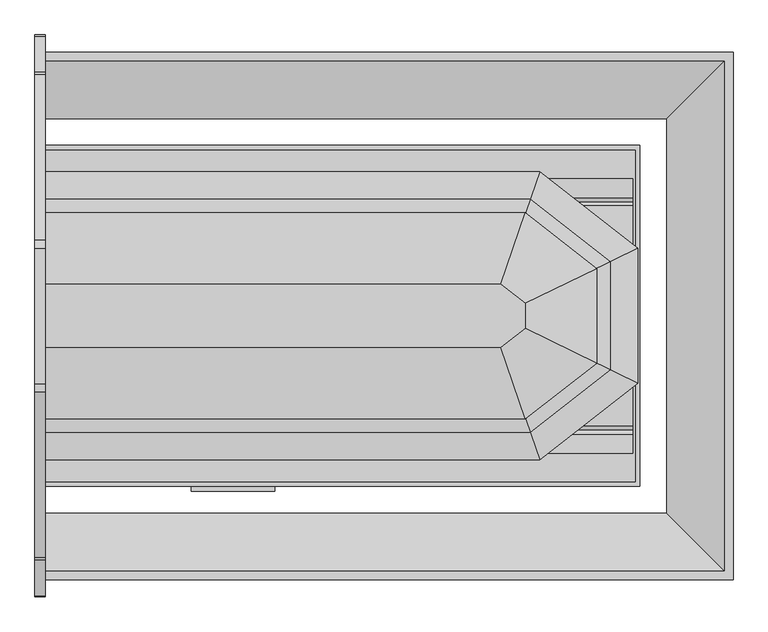
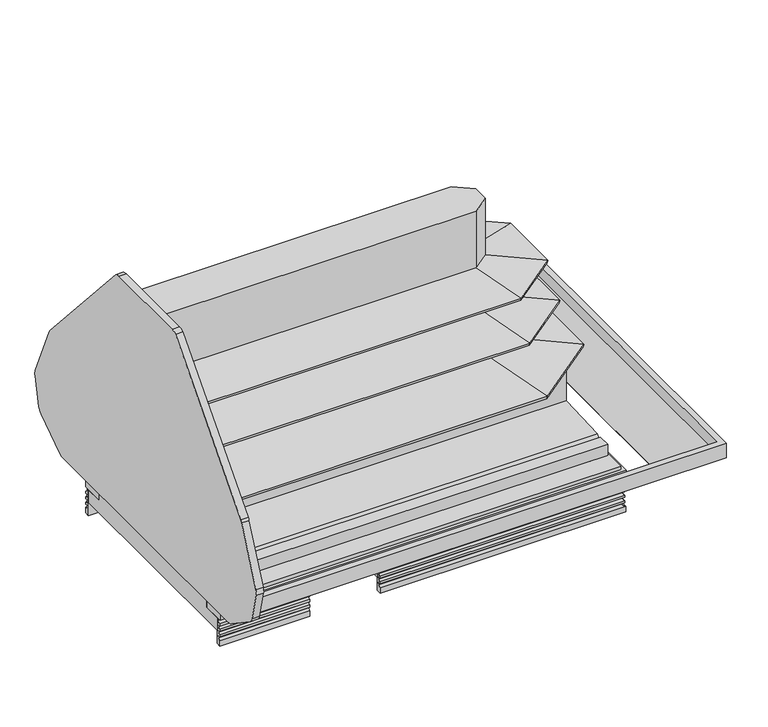
"""IFC4 building model written with IfcOpenShell, lengths in millimetres: proxy geometry."""

from ifc_helpers import new_model, si_unit, point, frame, frame_2d, origin, place, context, project, spatial, polyline, circle_curve, ellipse_curve, trimmed, segment, composite_curve, outline, extrude, faceted_brep, source, transform, mapped, element, save
from ifc_brep_helpers import plane_surface, revolved_surface, advanced_brep


def mechanical_equipment_c8d3985e(model_context):
    return source(origin(), model_context, "Body", "SolidModel", [
        extrude(outline(polyline([(531.4764211, -1899.6585484), (836.2764211, -1899.6585484), (836.2764211, -2001.2585484), (531.4764211, -2001.2585484), (531.4764211, -1899.6585484)])), frame((0.0, 0.0, 139.7), z_axis=(0.0, 0.0, 1.0), x_axis=(1.0, 0.0, 0.0)), (0.0, 0.0, 1.0), 53.975),
        extrude(outline(composite_curve([segment(polyline([(-1085.5128753, 1566.4562797), (-480.526685, 885.637089)]), True, "CONTINUOUS"), segment(trimmed(circle_curve(frame_2d((-518.5002411, 851.8932149)), 50.8), [point((-480.526685, 885.637089))], [point((-471.9860956, 872.3156111))], False, "CARTESIAN"), True, "CONTINUOUS"), segment(polyline([(-471.9860956, 872.3156111), (-341.5370545, 575.204262)]), True, "CONTINUOUS"), segment(trimmed(circle_curve(frame_2d((-387.5961448, 554.9816613)), 50.3030156), [point((-341.5370545, 575.204262))], [point((-338.5835735, 543.6608296))], False, "CARTESIAN"), True, "CONTINUOUS"), segment(polyline([(-338.5835735, 543.6608296), (-374.9847097, 391.220334)]), True, "CONTINUOUS"), segment(trimmed(circle_curve(frame_2d((-424.3955292, 403.0191015)), 50.8), [point((-374.9847097, 391.220334))], [point((-395.2578462, 361.4061777))], False, "CARTESIAN"), True, "CONTINUOUS"), segment(polyline([(-395.2578462, 361.4061777), (-569.0199124, 245.040927)]), True, "CONTINUOUS"), segment(trimmed(circle_curve(frame_2d((-598.1575954, 286.6538508)), 50.8), [point((-569.0199124, 245.040927))], [point((-598.1575954, 235.8538508))], False, "CARTESIAN"), True, "CONTINUOUS"), segment(polyline([(-598.1575954, 235.8538508), (-2125.3844839, 235.8538508)]), True, "CONTINUOUS"), segment(trimmed(circle_curve(frame_2d((-2125.3844839, 286.6538508)), 50.8), [point((-2125.3844839, 235.8538508))], [point((-2154.5221669, 245.040927))], False, "CARTESIAN"), True, "CONTINUOUS"), segment(polyline([(-2154.5221669, 245.040927), (-2328.2842331, 361.4061777)]), True, "CONTINUOUS"), segment(trimmed(circle_curve(frame_2d((-2299.1465501, 403.0191015)), 50.8), [point((-2328.2842331, 361.4061777))], [point((-2348.5573696, 391.220334))], False, "CARTESIAN"), True, "CONTINUOUS"), segment(polyline([(-2348.5573696, 391.220334), (-2384.9585058, 543.6608296)]), True, "CONTINUOUS"), segment(trimmed(circle_curve(frame_2d((-2335.9459345, 554.9816613)), 50.3030156), [point((-2384.9585058, 543.6608296))], [point((-2382.0050248, 575.204262))], False, "CARTESIAN"), True, "CONTINUOUS"), segment(polyline([(-2382.0050248, 575.204262), (-2251.5559837, 872.3156111)]), True, "CONTINUOUS"), segment(trimmed(circle_curve(frame_2d((-2205.0418381, 851.8932149)), 50.8), [point((-2251.5559837, 872.3156111))], [point((-2243.0153942, 885.637089))], False, "CARTESIAN"), True, "CONTINUOUS"), segment(polyline([(-2243.0153942, 885.637089), (-1638.029204, 1566.4562797)]), True, "CONTINUOUS"), segment(trimmed(circle_curve(frame_2d((-1608.8053155, 1524.9038508)), 50.8), [point((-1638.029204, 1566.4562797))], [point((-1608.8053155, 1575.7038508))], False, "CARTESIAN"), True, "CONTINUOUS"), segment(polyline([(-1608.8053155, 1575.7038508), (-1114.7367637, 1575.7038508)]), True, "CONTINUOUS"), segment(trimmed(circle_curve(frame_2d((-1114.7367637, 1524.9038508)), 50.8), [point((-1114.7367637, 1575.7038508))], [point((-1085.5128753, 1566.4562797))], False, "CARTESIAN"), True, "CONTINUOUS")], self_intersect=False)), frame((-38.1, 0.0, 0.0), z_axis=(1.0, 0.0, 0.0), x_axis=(0.0, 1.0, 0.0)), (0.0, 0.0, 1.0), 38.1),
        extrude(outline(polyline([(1661.2869938, -1246.7701211), (1750.1869938, -1316.2264133), (1750.1869938, -1407.4378289), (1661.2869938, -1476.8941211), (0.0, -1476.8941211), (0.0, -1246.7701211), (1661.2869938, -1246.7701211)])), frame((0.0, 0.0, 529.6852408), z_axis=(0.0, 0.0, 1.0), x_axis=(1.0, 0.0, 0.0)), (0.0, 0.0, 1.0), 1037.1772592),
        faceted_brep([(0.0, -1645.8233285, 971.7119545), (0.0, -1648.0286603, 984.219013), (0.0, -1784.8246123, 960.0981958), (0.0, -1787.1677774, 973.3869454), (0.0, -1476.8941211, 1028.0965624), (0.0, -1476.8941211, 969.4224998), (1720.2133413, -1075.6355819, 984.219013), (1719.4539846, -1077.8409138, 971.7119545), (0.0, -1077.8409138, 971.7119545), (0.0, -1075.6355819, 984.219013), (1767.3159649, -938.83963, 960.0981958), (0.0, -938.83963, 960.0981958), (1768.1227813, -936.4964649, 973.3869454), (0.0, -936.4964649, 973.3869454), (1661.2869938, -1246.7701211, 1028.0965624), (0.0, -1246.7701211, 1028.0965624), (1661.2869938, -1246.7701211, 969.4224998), (0.0, -1246.7701211, 969.4224998), (1719.4539846, -1645.8233285, 971.7119545), (1720.2133413, -1648.0286603, 984.219013), (1767.3159649, -1784.8246123, 960.0981958), (1768.1227813, -1787.1677774, 973.3869454), (1661.2869938, -1476.8941211, 1028.0965624), (1661.2869938, -1476.8941211, 969.4224998), (1919.1162012, -1489.8301085, 971.7119545), (1921.321533, -1490.9057207, 984.219013), (2058.117485, -1557.6255645, 960.0981958), (2060.4606501, -1558.7684025, 973.3869454), (1750.1869938, -1407.4378289, 1028.0965624), (1750.1869938, -1407.4378289, 969.4224998), (1919.1162012, -1233.8341337, 971.7119545), (1921.321533, -1232.7585215, 984.219013), (2058.117485, -1166.0386778, 960.0981958), (2060.4606501, -1164.8958398, 973.3869454), (1750.1869938, -1316.2264133, 1028.0965624), (1750.1869938, -1316.2264133, 969.4224998)], [[[0, 1, 2, 3, 4, 5]], [[6, 7, 8, 9]], [[10, 6, 9, 11]], [[12, 10, 11, 13]], [[14, 12, 13, 15]], [[16, 14, 15, 17]], [[7, 16, 17, 8]], [[8, 17, 15, 13, 11, 9]], [[1, 0, 18, 19]], [[2, 1, 19, 20]], [[3, 2, 20, 21]], [[4, 3, 21, 22]], [[5, 4, 22, 23]], [[0, 5, 23, 18]], [[19, 18, 24, 25]], [[20, 19, 25, 26]], [[21, 20, 26, 27]], [[22, 21, 27, 28]], [[23, 22, 28, 29]], [[18, 23, 29, 24]], [[25, 24, 30, 31]], [[26, 25, 31, 32]], [[27, 26, 32, 33]], [[28, 27, 33, 34]], [[29, 28, 34, 35]], [[24, 29, 35, 30]], [[31, 30, 7, 6]], [[32, 31, 6, 10]], [[33, 32, 10, 12]], [[34, 33, 12, 14]], [[35, 34, 14, 16]], [[30, 35, 16, 7]]]),
        faceted_brep([(0.0, -1476.8941211, 734.6361537), (0.0, -1748.5765466, 725.7131569), (0.0, -1749.6792126, 731.9666861), (0.0, -1884.9117822, 708.1215354), (0.0, -1887.2549473, 721.410285), (0.0, -1476.8941211, 793.7679705), (1754.834755, -975.0876956, 725.7131569), (1661.2869938, -1246.7701211, 734.6361537), (0.0, -1246.7701211, 734.6361537), (0.0, -975.0876956, 725.7131569), (1755.2144333, -973.9850297, 731.9666861), (0.0, -973.9850297, 731.9666861), (1801.7787412, -838.7524601, 708.1215354), (0.0, -838.7524601, 708.1215354), (1802.5855577, -836.409295, 721.410285), (0.0, -836.409295, 721.410285), (1661.2869938, -1246.7701211, 793.7679705), (0.0, -1246.7701211, 793.7679705), (1661.2869938, -1476.8941211, 734.6361537), (1754.834755, -1748.5765466, 725.7131569), (1755.2144333, -1749.6792126, 731.9666861), (1801.7787412, -1884.9117822, 708.1215354), (1802.5855577, -1887.2549473, 721.410285), (1661.2869938, -1476.8941211, 793.7679705), (1750.1869938, -1407.4378289, 734.6361537), (2021.8694193, -1539.9462016, 725.7131569), (2022.9720853, -1540.4840077, 731.9666861), (2158.2046549, -1606.4413389, 708.1215354), (2160.54782, -1607.5841769, 721.410285), (1750.1869938, -1407.4378289, 793.7679705), (1750.1869938, -1316.2264133, 734.6361537), (2021.8694193, -1183.7180407, 725.7131569), (2022.9720853, -1183.1802346, 731.9666861), (2158.2046549, -1117.2229033, 708.1215354), (2160.54782, -1116.0800653, 721.410285), (1750.1869938, -1316.2264133, 793.7679705)], [[[0, 1, 2, 3, 4, 5]], [[6, 7, 8, 9]], [[10, 6, 9, 11]], [[12, 10, 11, 13]], [[14, 12, 13, 15]], [[16, 14, 15, 17]], [[7, 16, 17, 8]], [[8, 17, 15, 13, 11, 9]], [[1, 0, 18, 19]], [[2, 1, 19, 20]], [[3, 2, 20, 21]], [[4, 3, 21, 22]], [[5, 4, 22, 23]], [[0, 5, 23, 18]], [[19, 18, 24, 25]], [[20, 19, 25, 26]], [[21, 20, 26, 27]], [[22, 21, 27, 28]], [[23, 22, 28, 29]], [[18, 23, 29, 24]], [[25, 24, 30, 31]], [[26, 25, 31, 32]], [[27, 26, 32, 33]], [[28, 27, 33, 34]], [[29, 28, 34, 35]], [[24, 29, 35, 30]], [[31, 30, 7, 6]], [[32, 31, 6, 10]], [[33, 32, 10, 12]], [[34, 33, 12, 14]], [[35, 34, 14, 16]], [[30, 35, 16, 7]]]),
        faceted_brep([(0.0, -1645.8233285, 1192.8622556), (0.0, -1648.0286603, 1205.3693141), (0.0, -1734.7963784, 1190.0698243), (0.0, -1737.1395435, 1203.3585739), (0.0, -1476.8941211, 1249.2468635), (0.0, -1476.8941211, 1190.5728009), (0.0, -1077.8409138, 1192.8622556), (0.0, -1246.7701211, 1190.5728009), (0.0, -1246.7701211, 1249.2468635), (0.0, -986.5246988, 1203.3585739), (0.0, -988.8678638, 1190.0698243), (0.0, -1075.6355819, 1205.3693141), (1720.2133413, -1648.0286603, 1205.3693141), (1719.4539846, -1645.8233285, 1192.8622556), (1919.1162012, -1489.8301085, 1192.8622556), (1921.321533, -1490.9057207, 1205.3693141), (1750.0898625, -1734.7963784, 1190.0698243), (2008.0892511, -1533.2251645, 1190.0698243), (1750.896679, -1737.1395435, 1203.3585739), (2010.4324162, -1534.3680025, 1203.3585739), (1661.2869938, -1476.8941211, 1249.2468635), (1750.1869938, -1407.4378289, 1249.2468635), (1661.2869938, -1476.8941211, 1190.5728009), (1750.1869938, -1407.4378289, 1190.5728009), (1919.1162012, -1233.8341337, 1192.8622556), (1921.321533, -1232.7585215, 1205.3693141), (2008.0892511, -1190.4390778, 1190.0698243), (2010.4324162, -1189.2962398, 1203.3585739), (1750.1869938, -1316.2264133, 1249.2468635), (1750.1869938, -1316.2264133, 1190.5728009), (1719.4539846, -1077.8409138, 1192.8622556), (1720.2133413, -1075.6355819, 1205.3693141), (1750.0898625, -988.8678638, 1190.0698243), (1750.896679, -986.5246988, 1203.3585739), (1661.2869938, -1246.7701211, 1249.2468635), (1661.2869938, -1246.7701211, 1190.5728009)], [[[0, 1, 2, 3, 4, 5]], [[6, 7, 8, 9, 10, 11]], [[12, 13, 14, 15]], [[16, 12, 15, 17]], [[18, 16, 17, 19]], [[20, 18, 19, 21]], [[22, 20, 21, 23]], [[13, 22, 23, 14]], [[15, 14, 24, 25]], [[17, 15, 25, 26]], [[19, 17, 26, 27]], [[21, 19, 27, 28]], [[23, 21, 28, 29]], [[14, 23, 29, 24]], [[25, 24, 30, 31]], [[26, 25, 31, 32]], [[27, 26, 32, 33]], [[28, 27, 33, 34]], [[29, 28, 34, 35]], [[24, 29, 35, 30]], [[31, 30, 6, 11]], [[32, 31, 11, 10]], [[33, 32, 10, 9]], [[34, 33, 9, 8]], [[35, 34, 8, 7]], [[30, 35, 7, 6]], [[1, 0, 13, 12]], [[2, 1, 12, 16]], [[3, 2, 16, 18]], [[4, 3, 18, 20]], [[5, 4, 20, 22]], [[0, 5, 22, 13]]]),
        faceted_brep([(0.0, -400.0738396, 393.2587782), (0.0, -624.4162298, 236.1725455), (0.0, -642.1057162, 261.4357503), (0.0, -431.0303317, 409.2323256), (0.0, -431.0303317, 475.7067395), (0.0, -400.0738396, 475.7067395), (0.0, -2323.590415, 393.2587782), (0.0, -2323.590415, 475.7067395), (0.0, -2292.6339229, 475.7067395), (0.0, -2292.6339229, 409.2323256), (0.0, -2081.5585384, 261.4357503), (0.0, -2099.2480248, 236.1725455), (2477.0267956, -431.0303317, 409.2323256), (2477.0267956, -431.0303317, 475.7067395), (2477.0267956, -2292.6339229, 475.7067395), (2507.9832877, -2323.590415, 475.7067395), (2507.9832877, -400.0738396, 475.7067395), (2507.9832877, -400.0738396, 393.2587782), (2477.0267956, -2292.6339229, 409.2323256), (2507.9832877, -2323.590415, 393.2587782), (2283.6408975, -624.4162298, 236.1725455), (2265.9514111, -642.1057162, 261.4357503), (2283.6408975, -2099.2480248, 236.1725455), (2265.9514111, -2081.5585384, 261.4357503)], [[[0, 1, 2, 3, 4, 5]], [[6, 7, 8, 9, 10, 11]], [[4, 3, 12, 13]], [[5, 4, 13, 14, 8, 7, 15, 16]], [[0, 5, 16, 17]], [[13, 12, 18, 14]], [[17, 16, 15, 19]], [[14, 18, 9, 8]], [[19, 15, 7, 6]], [[1, 0, 17, 20]], [[2, 1, 20, 21]], [[3, 2, 21, 12]], [[20, 17, 19, 22]], [[21, 20, 22, 23]], [[12, 21, 23, 18]], [[22, 19, 6, 11]], [[23, 22, 11, 10]], [[18, 23, 10, 9]]]),
        extrude(outline(composite_curve([segment(trimmed(circle_curve(frame_2d((1279.525, -1361.8321273)), 19.05), [point((1260.475, -1361.8321273))], [point((1298.575, -1361.8321273))], False, "CARTESIAN"), True, "CONTINUOUS"), segment(trimmed(circle_curve(frame_2d((1279.525, -1361.8321273)), 19.05), [point((1298.575, -1361.8321273))], [point((1260.475, -1361.8321273))], False, "CARTESIAN"), True, "CONTINUOUS")], self_intersect=False)), frame((0.0, 0.0, 43.7437524), z_axis=(0.0, 0.0, 1.0), x_axis=(1.0, 0.0, 0.0)), (0.0, 0.0, 1.0), 210.2562476),
        extrude(outline(composite_curve([segment(trimmed(circle_curve(frame_2d((105.4191453, -889.3908129)), 11.1125), [point((94.3066453, -889.3908129))], [point((116.5316453, -889.3908129))], False, "CARTESIAN"), True, "CONTINUOUS"), segment(trimmed(circle_curve(frame_2d((105.4191453, -889.3908129)), 11.1125), [point((116.5316453, -889.3908129))], [point((94.3066453, -889.3908129))], False, "CARTESIAN"), True, "CONTINUOUS")], self_intersect=False)), frame((0.0, 0.0, 43.7437524), z_axis=(0.0, 0.0, 1.0), x_axis=(1.0, 0.0, 0.0)), (0.0, 0.0, 1.0), 210.2562476),
        extrude(outline(composite_curve([segment(trimmed(circle_curve(frame_2d((105.8867913, -909.9672391)), 4.7625), [point((101.1242913, -909.9672391))], [point((110.6492913, -909.9672391))], False, "CARTESIAN"), True, "CONTINUOUS"), segment(trimmed(circle_curve(frame_2d((105.8867913, -909.9672391)), 4.7625), [point((110.6492913, -909.9672391))], [point((101.1242913, -909.9672391))], False, "CARTESIAN"), True, "CONTINUOUS")], self_intersect=False)), frame((0.0, 0.0, 43.7437524), z_axis=(0.0, 0.0, 1.0), x_axis=(1.0, 0.0, 0.0)), (0.0, 0.0, 1.0), 210.2562476),
        faceted_brep([(0.0, -1983.9416266, 146.05), (0.0, -1983.9416266, 233.7483804), (0.0, -1966.0346266, 233.7483804), (0.0, -1966.0346266, 254.0), (0.0, -1862.2307062, 254.0), (0.0, -1862.2307062, 146.05), (0.0, -739.722628, 146.05), (0.0, -861.4335484, 146.05), (0.0, -861.4335484, 254.0), (0.0, -757.629628, 254.0), (0.0, -757.629628, 233.7483804), (0.0, -739.722628, 233.7483804), (480.6764211, -1872.6710484, 206.9984495), (855.3264211, -1872.6710484, 206.9984495), (855.3264211, -1983.9416266, 206.9984495), (480.6764211, -1983.9416266, 206.9984495), (855.3264211, -1872.6710484, 146.05), (855.3264211, -1983.9416266, 146.05), (480.6764211, -1872.6710484, 146.05), (480.6764211, -1983.9416266, 146.05), (2168.3344993, -1983.9416266, 233.7483804), (2168.3344993, -1983.9416266, 146.05), (2168.3344993, -739.722628, 146.05), (2168.3344993, -739.722628, 233.7483804), (2150.4274993, -1966.0346266, 254.0), (2150.4274993, -1966.0346266, 233.7483804), (2150.4274993, -757.629628, 233.7483804), (2150.4274993, -757.629628, 254.0), (2046.6235789, -1862.2307062, 146.05), (2046.6235789, -1862.2307062, 254.0), (2046.6235789, -861.4335484, 254.0), (2046.6235789, -861.4335484, 146.05)], [[[0, 1, 2, 3, 4, 5]], [[6, 7, 8, 9, 10, 11]], [[12, 13, 14, 15]], [[14, 13, 16, 17]], [[13, 12, 18, 16]], [[12, 15, 19, 18]], [[20, 21, 22, 23]], [[24, 25, 26, 27]], [[28, 29, 30, 31]], [[6, 11, 23, 22]], [[10, 9, 27, 26]], [[8, 7, 31, 30]], [[1, 0, 19, 15, 14, 17, 21, 20]], [[2, 1, 20, 23, 11, 10, 26, 25]], [[3, 2, 25, 24]], [[4, 3, 24, 27, 9, 8, 30, 29]], [[5, 4, 29, 28]], [[0, 5, 28, 31, 7, 6, 22, 21, 17, 16, 18, 19]]]),
        advanced_brep(
        [(2141.3553221, -1476.8941211, 529.6852408), (2141.3553221, -1476.8941211, 330.5006237), (2141.3553221, -1762.7267176, 316.0191309), (2141.3553221, -1778.0110647, 301.5392231), (2141.3553221, -1793.2737198, 315.9985806), (2141.3553221, -1862.2498492, 318.4951693), (2141.3553221, -1862.2498492, 146.05), (2141.3553221, -1956.9624494, 146.05), (2141.3553221, -1956.9624494, 74.4934376), (2141.3553221, -766.7018052, 74.4934376), (2141.3553221, -766.7018052, 146.05), (2141.3553221, -861.4335484, 146.05), (2141.3553221, -861.4335484, 318.4944764), (2141.3553221, -930.3905348, 315.9985806), (2141.3553221, -945.6531899, 301.5392231), (2141.3553221, -960.937537, 316.0191309), (2141.3553221, -1246.7701335, 330.5006237), (2141.3553221, -1246.7701335, 529.6852408), (0.0, -1476.8941211, 529.6852408), (0.0, -1246.7701335, 529.6852408), (0.0, -1246.7701335, 330.5006237), (0.0, -960.937537, 316.0191309), (0.0, -945.6531899, 301.5392231), (0.0, -930.3905348, 315.9985806), (0.0, -861.4335484, 318.4944764), (0.0, -861.4335484, 146.05), (0.0, -766.7018052, 146.05), (0.0, -766.7018052, 74.4934376), (0.0, -1956.9624494, 74.4934376), (0.0, -1956.9624494, 146.05), (0.0, -1862.2498492, 146.05), (0.0, -1862.2498492, 318.4951693), (0.0, -1793.2737198, 315.9985806), (0.0, -1778.0110647, 301.5392231), (0.0, -1762.7267176, 316.0191309), (0.0, -1476.8941211, 330.5006237), (80.9625, -896.6946273, 254.0), (131.7625, -896.6946273, 254.0), (131.7625, -896.6946273, 74.4934376), (80.9625, -896.6946273, 74.4934376), (1247.775, -1361.3307706, 254.0), (1311.275, -1361.3307706, 254.0), (1311.275, -1361.3307706, 74.4934376), (1247.775, -1361.3307706, 74.4934376), (855.3264211, -1872.6710484, 146.05), (855.3264211, -1872.6710484, 74.4934376), (855.3264211, -1956.9624494, 74.4934376), (855.3264211, -1956.9624494, 146.05), (480.6764211, -1872.6710484, 146.05), (480.6764211, -1872.6710484, 74.4934376), (480.6764211, -1956.9624494, 146.05), (480.6764211, -1956.9624494, 74.4934376)],
        [
            (0, 1),
            (1, 2),
            (2, 3),
            (3, 4),
            (4, 5),
            (5, 6),
            (6, 7),
            (7, 8),
            (8, 9),
            (9, 10),
            (10, 11),
            (11, 12),
            (12, 13),
            (13, 14),
            (14, 15),
            (15, 16),
            (16, 17),
            (17, 0),
            (18, 19),
            (19, 20),
            (20, 21),
            (21, 22),
            (22, 23),
            (23, 24),
            (24, 25),
            (25, 26),
            (26, 27),
            (27, 28),
            (28, 29),
            (29, 30),
            (30, 31),
            (31, 32),
            (32, 33),
            (33, 34),
            (34, 35),
            (35, 18),
            (17, 19),
            (18, 0),
            (36, 37, circle_curve(frame((106.3625, -896.6946273, 254.0), z_axis=(0.0, 0.0, -1.0), x_axis=(1.0, 0.0, 0.0)), 25.4)),
            (37, 36, circle_curve(frame((106.3625, -896.6946273, 254.0), z_axis=(0.0, 0.0, -1.0), x_axis=(1.0, 0.0, 0.0)), 25.4)),
            (37, 38),
            (38, 39, circle_curve(frame((106.3625, -896.6946273, 74.4934376), z_axis=(0.0, 0.0, -1.0), x_axis=(1.0, 0.0, 0.0)), 25.4)),
            (39, 36),
            (39, 38, circle_curve(frame((106.3625, -896.6946273, 74.4934376), z_axis=(0.0, 0.0, -1.0), x_axis=(1.0, 0.0, 0.0)), 25.4)),
            (40, 41, circle_curve(frame((1279.525, -1361.3307706, 254.0), z_axis=(0.0, 0.0, -1.0), x_axis=(1.0, 0.0, 0.0)), 31.75)),
            (41, 40, circle_curve(frame((1279.525, -1361.3307706, 254.0), z_axis=(0.0, 0.0, -1.0), x_axis=(1.0, 0.0, 0.0)), 31.75)),
            (41, 42),
            (42, 43, circle_curve(frame((1279.525, -1361.3307706, 74.4934376), z_axis=(0.0, 0.0, -1.0), x_axis=(1.0, 0.0, 0.0)), 31.75)),
            (43, 40),
            (43, 42, circle_curve(frame((1279.525, -1361.3307706, 74.4934376), z_axis=(0.0, 0.0, -1.0), x_axis=(1.0, 0.0, 0.0)), 31.75)),
            (44, 45),
            (45, 46),
            (46, 47),
            (47, 44),
            (44, 48),
            (48, 49),
            (49, 45),
            (48, 50),
            (50, 51),
            (51, 49),
            (11, 25),
            (24, 12),
            (23, 13),
            (22, 14),
            (21, 15),
            (20, 16),
            (35, 1),
            (34, 2),
            (33, 3),
            (32, 4),
            (31, 5),
            (30, 6),
            (29, 50),
            (47, 7),
            (46, 8),
            (28, 51),
            (27, 9),
            (26, 10),
        ],
        [
            plane_surface(frame((2141.3553221, -1476.8941211, 561.4683528), z_axis=(1.0, 0.0, 0.0), x_axis=(0.0, 0.0, -1.0))),
            plane_surface(frame((0.0, -1476.8941211, 561.4683528), z_axis=(-1.0, 0.0, 0.0), x_axis=(0.0, 0.0, 1.0))),
            plane_surface(frame((2141.3553221, -1246.7701335, 529.6852408), z_axis=(0.0, 0.0, 1.0), x_axis=(-1.0, 0.0, 0.0))),
            plane_surface(frame((131.7625, -896.6946273, 254.0), z_axis=(0.0, 0.0, -1.0), x_axis=(0.0, 1.0, 0.0))),
            revolved_surface(polyline([(131.7625, -896.6946273, 254.0), (131.7625, -896.6946273, 74.4934376)]), (106.3625, -896.6946273, 0.0), (0.0, 0.0, 1.0)),
            plane_surface(frame((1311.275, -1361.3307706, 254.0), z_axis=(0.0, 0.0, -1.0), x_axis=(0.0, 1.0, 0.0))),
            revolved_surface(polyline([(1311.275, -1361.3307706, 254.0), (1311.275, -1361.3307706, 74.4934376)]), (1279.525, -1361.3307706, 0.0), (0.0, 0.0, 1.0)),
            plane_surface(frame((855.3264211, -2029.6176194, 206.9984495), z_axis=(-1.0, 0.0, 0.0), x_axis=(0.0, 0.0, -1.0))),
            plane_surface(frame((855.3264211, -1872.6710484, 206.9984495), z_axis=(0.0, -1.0, 0.0), x_axis=(0.0, 0.0, -1.0))),
            plane_surface(frame((480.6764211, -1872.6710484, 206.9984495), z_axis=(1.0, 0.0, 0.0), x_axis=(0.0, 0.0, -1.0))),
            plane_surface(frame((2141.3553221, -861.4335484, 146.05), z_axis=(0.0, 1.0, 0.0), x_axis=(-1.0, 0.0, 0.0))),
            plane_surface(frame((2141.3553221, -861.4335484, 318.4944764), z_axis=(0.0, -0.03617128099651393, 0.9993456050991926), x_axis=(-1.0, 0.0, 0.0))),
            plane_surface(frame((2141.3553221, -930.3905348, 315.9985806), z_axis=(0.0, -0.6877446479107889, 0.7259526839058211), x_axis=(-1.0, 0.0, 0.0))),
            plane_surface(frame((2141.3553221, -945.6531899, 301.5392231), z_axis=(0.0, 0.6877446479107768, 0.7259526839058327), x_axis=(-1.0, 0.0, 0.0))),
            plane_surface(frame((2141.3553221, -960.937537, 316.0191309), z_axis=(0.0, 0.05059934604184178, 0.998719032651395), x_axis=(-1.0, 0.0, 0.0))),
            plane_surface(frame((2141.3553221, -1246.7701335, 330.5006237), z_axis=(0.0, 1.0, 0.0), x_axis=(-1.0, 0.0, 0.0))),
            plane_surface(frame((2141.3553221, -1476.8941211, 529.6852408), z_axis=(0.0, -1.0, 0.0), x_axis=(-1.0, 0.0, 0.0))),
            plane_surface(frame((2141.3553221, -1476.8941211, 330.5006237), z_axis=(0.0, -0.05059934604185542, 0.9987190326513942), x_axis=(-1.0, 0.0, 0.0))),
            plane_surface(frame((2141.3553221, -1762.7267176, 316.0191309), z_axis=(0.0, -0.6877446479107836, 0.7259526839058262), x_axis=(-1.0, 0.0, 0.0))),
            plane_surface(frame((2141.3553221, -1778.0110647, 301.5392231), z_axis=(0.0, 0.6877446479107799, 0.7259526839058296), x_axis=(-1.0, 0.0, 0.0))),
            plane_surface(frame((2141.3553221, -1793.2737198, 315.9985806), z_axis=(0.0, 0.03617128099650122, 0.999345605099193), x_axis=(-1.0, 0.0, 0.0))),
            plane_surface(frame((2141.3553221, -1862.2498492, 318.4951693), z_axis=(0.0, -1.0, 0.0), x_axis=(-1.0, 0.0, 0.0))),
            plane_surface(frame((2141.3553221, -1862.2498492, 146.05), z_axis=(0.0, 0.0, 1.0), x_axis=(-1.0, 0.0, 0.0))),
            plane_surface(frame((2141.3553221, -1956.9624494, 146.05), z_axis=(0.0, -1.0, 0.0), x_axis=(-1.0, 0.0, 0.0))),
            plane_surface(frame((2141.3553221, -1956.9624494, 74.4934376), z_axis=(0.0, 0.0, -1.0), x_axis=(-1.0, 0.0, 0.0))),
            plane_surface(frame((2141.3553221, -766.7018052, 74.4934376), z_axis=(0.0, 1.0, 0.0), x_axis=(-1.0, 0.0, 0.0))),
            plane_surface(frame((2141.3553221, -766.7018052, 146.05), z_axis=(0.0, 0.0, 1.0), x_axis=(-1.0, 0.0, 0.0))),
        ],
        [
            (0, [[1, 2, 3, 4, 5, 6, 7, 8, 9, 10, 11, 12, 13, 14, 15, 16, 17, 18]]),
            (1, [[19, 20, 21, 22, 23, 24, 25, 26, 27, 28, 29, 30, 31, 32, 33, 34, 35, 36]]),
            (2, [[-18, 37, -19, 38]]),
            (3, [[39, 40]]),
            (4, [[-40, 41, 42, 43]]),
            (4, [[-39, -43, 44, -41]]),
            (5, [[45, 46]]),
            (6, [[-46, 47, 48, 49]]),
            (6, [[-45, -49, 50, -47]]),
            (7, [[51, 52, 53, 54]]),
            (8, [[-51, 55, 56, 57]]),
            (9, [[-56, 58, 59, 60]]),
            (10, [[-12, 61, -25, 62]]),
            (11, [[-13, -62, -24, 63]]),
            (12, [[-14, -63, -23, 64]]),
            (13, [[-15, -64, -22, 65]]),
            (14, [[-16, -65, -21, 66]]),
            (15, [[-17, -66, -20, -37]]),
            (16, [[-1, -38, -36, 67]]),
            (17, [[-2, -67, -35, 68]]),
            (18, [[-3, -68, -34, 69]]),
            (19, [[-4, -69, -33, 70]]),
            (20, [[-5, -70, -32, 71]]),
            (21, [[-6, -71, -31, 72]]),
            (22, [[-7, -72, -30, 73, -58, -55, -54, 74]]),
            (23, [[-8, -74, -53, 75]]),
            (23, [[-29, 76, -59, -73]]),
            (24, [[-9, -75, -52, -57, -60, -76, -28, 77], [-42, -44], [-48, -50]]),
            (25, [[-10, -77, -27, 78]]),
            (26, [[-11, -78, -26, -61]]),
        ],
    ),
        advanced_brep(
        [(0.0, -1970.5598032, 41.0863151), (0.0, -1967.0707061, 52.2515752), (0.0, -1977.7079014, 50.0937524), (0.0, -1979.7018014, 50.0937524), (0.0, -1979.7018014, 62.7937524), (0.0, -1970.5598032, 72.0584982), (0.0, -1967.0707061, 83.2237583), (0.0, -1977.7079014, 81.0659355), (0.0, -1979.7018014, 81.0659355), (0.0, -1979.7018014, 93.7659355), (0.0, -1970.5598032, 103.0306813), (0.0, -1967.0707061, 114.0694894), (0.0, -1977.7079014, 112.0383055), (0.0, -1979.7018014, 112.0383055), (0.0, -1979.7018014, 124.7383055), (0.0, -1967.0707061, 137.4381186), (0.0, -1967.0707061, 146.05), (0.0, -1956.9624494, 146.05), (0.0, -1956.9624494, 0.0), (0.0, -1982.5901061, 0.0), (0.0, -1982.5901061, 31.4790022), (480.6764211, -1967.0707061, 52.2515752), (480.6764211, -1970.5598032, 41.0863151), (480.6764211, -1982.5901061, 31.4790022), (480.6764211, -1982.5901061, 0.0), (480.6764211, -1956.9624494, 0.0), (480.6764211, -1956.9624494, 146.05), (480.6764211, -1967.0707061, 146.05), (480.6764211, -1967.0707061, 137.4381186), (480.6764211, -1979.7018014, 124.7383055), (480.6764211, -1979.7018014, 112.0383055), (480.6764211, -1977.7079014, 112.0383055), (480.6764211, -1967.0707061, 114.0694894), (480.6764211, -1970.5598032, 103.0306813), (480.6764211, -1979.7018014, 93.7659355), (480.6764211, -1979.7018014, 81.0659355), (480.6764211, -1977.7079014, 81.0659355), (480.6764211, -1967.0707061, 83.2237583), (480.6764211, -1970.5598032, 72.0584982), (480.6764211, -1979.7018014, 62.7937524), (480.6764211, -1979.7018014, 50.0937524), (480.6764211, -1977.7079014, 50.0937524)],
        [
            (0, 1),
            (1, 2),
            (2, 3),
            (3, 4),
            (4, 5, circle_curve(frame((0.0, -1982.8936404, 75.0861144), z_axis=(1.0, 0.0, 0.0), x_axis=(0.0, 1.0, 0.0)), 12.7)),
            (5, 6),
            (6, 7),
            (7, 8),
            (8, 9),
            (9, 10, circle_curve(frame((0.0, -1982.8936404, 106.0582975), z_axis=(1.0, 0.0, 0.0), x_axis=(0.0, 1.0, 0.0)), 12.7)),
            (10, 11),
            (11, 12),
            (12, 13),
            (13, 14),
            (14, 15, circle_curve(frame((0.0, -1979.7707061, 137.4381186), z_axis=(1.0, 0.0, 0.0), x_axis=(0.0, 1.0, 0.0)), 12.7)),
            (15, 16),
            (16, 17),
            (17, 18),
            (18, 19),
            (19, 20),
            (20, 0, circle_curve(frame((0.0, -1981.5363588, 42.4953422), z_axis=(1.0, 0.0, 0.0), x_axis=(0.0, 1.0, 0.0)), 11.0666223)),
            (21, 22),
            (22, 23, circle_curve(frame((480.6764211, -1981.5363588, 42.4953422), z_axis=(-1.0, 0.0, 0.0), x_axis=(0.0, 1.0, 0.0)), 11.0666223)),
            (23, 24),
            (24, 25),
            (25, 26),
            (26, 27),
            (27, 28),
            (28, 29, circle_curve(frame((480.6764211, -1979.7707061, 137.4381186), z_axis=(-1.0, 0.0, 0.0), x_axis=(0.0, 1.0, 0.0)), 12.7)),
            (29, 30),
            (30, 31),
            (31, 32),
            (32, 33),
            (33, 34, circle_curve(frame((480.6764211, -1982.8936404, 106.0582975), z_axis=(-1.0, 0.0, 0.0), x_axis=(0.0, 1.0, 0.0)), 12.7)),
            (34, 35),
            (35, 36),
            (36, 37),
            (37, 38),
            (38, 39, circle_curve(frame((480.6764211, -1982.8936404, 75.0861144), z_axis=(-1.0, 0.0, 0.0), x_axis=(0.0, 1.0, 0.0)), 12.7)),
            (39, 40),
            (40, 41),
            (41, 21),
            (0, 22),
            (21, 1),
            (41, 2),
            (40, 3),
            (39, 4),
            (38, 5),
            (37, 6),
            (36, 7),
            (35, 8),
            (34, 9),
            (33, 10),
            (32, 11),
            (31, 12),
            (30, 13),
            (29, 14),
            (28, 15),
            (27, 16),
            (26, 17),
            (25, 18),
            (24, 19),
            (23, 20),
        ],
        [
            plane_surface(frame((0.0, -2374.6571273, 0.0), z_axis=(-1.0, 0.0, 0.0), x_axis=(0.0, 0.0, 1.0))),
            plane_surface(frame((480.6764211, -1872.6710484, 206.9984495), z_axis=(1.0, 0.0, 0.0), x_axis=(0.0, 0.0, -1.0))),
            plane_surface(frame((0.0, -1970.5598032, 41.0863151), z_axis=(0.0, -0.9544811145040176, 0.29827135641085006), x_axis=(1.0, 0.0, 0.0))),
            plane_surface(frame((0.0, -1967.0707061, 52.2515752), z_axis=(0.0, 0.19880707887699167, -0.9800386448443743), x_axis=(1.0, 0.0, 0.0))),
            plane_surface(frame((0.0, -1977.7079014, 50.0937524), z_axis=(0.0, 0.0, -1.0), x_axis=(1.0, 0.0, 0.0))),
            plane_surface(frame((0.0, -1979.7018014, 50.0937524), z_axis=(0.0, -1.0, 0.0), x_axis=(1.0, 0.0, 0.0))),
            revolved_surface(polyline([(480.6764211, -1970.1936404, 75.0861144), (0.0, -1970.1936404, 75.0861144)]), (0.0, -1982.8936404, 75.0861144), (1.0, 0.0, 0.0)),
            plane_surface(frame((0.0, -1970.5598032, 72.0584982), z_axis=(0.0, -0.9544811145039999, 0.29827135641090713), x_axis=(1.0, 0.0, 0.0))),
            plane_surface(frame((0.0, -1967.0707061, 83.2237583), z_axis=(0.0, 0.19880707887699767, -0.9800386448443731), x_axis=(1.0, 0.0, 0.0))),
            plane_surface(frame((0.0, -1977.7079014, 81.0659355), z_axis=(0.0, 0.0, -1.0), x_axis=(1.0, 0.0, 0.0))),
            plane_surface(frame((0.0, -1979.7018014, 81.0659355), z_axis=(0.0, -1.0, 0.0), x_axis=(1.0, 0.0, 0.0))),
            revolved_surface(polyline([(480.6764211, -1970.1936404, 106.0582975), (0.0, -1970.1936404, 106.0582975)]), (0.0, -1982.8936404, 106.0582975), (1.0, 0.0, 0.0)),
            plane_surface(frame((0.0, -1970.5598032, 103.0306813), z_axis=(0.0, -0.9535043111328462, 0.30137937661870046), x_axis=(1.0, 0.0, 0.0))),
            plane_surface(frame((0.0, -1967.0707061, 114.0694894), z_axis=(0.0, 0.18756221551803973, -0.9822527247658641), x_axis=(1.0, 0.0, 0.0))),
            plane_surface(frame((0.0, -1977.7079014, 112.0383055), z_axis=(0.0, 0.0, -1.0), x_axis=(1.0, 0.0, 0.0))),
            plane_surface(frame((0.0, -1979.7018014, 112.0383055), z_axis=(0.0, -1.0, 0.0), x_axis=(1.0, 0.0, 0.0))),
            revolved_surface(polyline([(480.6764211, -1967.0707061, 137.4381186), (0.0, -1967.0707061, 137.4381186)]), (0.0, -1979.7707061, 137.4381186), (1.0, 0.0, 0.0)),
            plane_surface(frame((0.0, -1967.0707061, 137.4381186), z_axis=(0.0, -1.0, 0.0), x_axis=(1.0, 0.0, 0.0))),
            plane_surface(frame((0.0, -1967.0707061, 146.05), z_axis=(0.0, 0.0, 1.0), x_axis=(1.0, 0.0, 0.0))),
            plane_surface(frame((0.0, -1956.9624494, 146.05), z_axis=(0.0, 1.0, 0.0), x_axis=(1.0, 0.0, 0.0))),
            plane_surface(frame((0.0, -1956.9624494, 0.0), z_axis=(0.0, 0.0, -1.0), x_axis=(1.0, 0.0, 0.0))),
            plane_surface(frame((0.0, -1982.5901061, 0.0), z_axis=(0.0, -1.0, 0.0), x_axis=(1.0, 0.0, 0.0))),
            revolved_surface(polyline([(480.6764211, -1970.4697365, 42.4953422), (0.0, -1970.4697365, 42.4953422)]), (0.0, -1981.5363588, 42.4953422), (1.0, 0.0, 0.0)),
        ],
        [
            (0, [[1, 2, 3, 4, 5, 6, 7, 8, 9, 10, 11, 12, 13, 14, 15, 16, 17, 18, 19, 20, 21]]),
            (1, [[22, 23, 24, 25, 26, 27, 28, 29, 30, 31, 32, 33, 34, 35, 36, 37, 38, 39, 40, 41, 42]]),
            (2, [[-1, 43, -22, 44]]),
            (3, [[-2, -44, -42, 45]]),
            (4, [[-3, -45, -41, 46]]),
            (5, [[-4, -46, -40, 47]]),
            (6, [[-5, -47, -39, 48]]),
            (7, [[-6, -48, -38, 49]]),
            (8, [[-7, -49, -37, 50]]),
            (9, [[-8, -50, -36, 51]]),
            (10, [[-9, -51, -35, 52]]),
            (11, [[-10, -52, -34, 53]]),
            (12, [[-11, -53, -33, 54]]),
            (13, [[-12, -54, -32, 55]]),
            (14, [[-13, -55, -31, 56]]),
            (15, [[-14, -56, -30, 57]]),
            (16, [[-15, -57, -29, 58]]),
            (17, [[-16, -58, -28, 59]]),
            (18, [[-17, -59, -27, 60]]),
            (19, [[-18, -60, -26, 61]]),
            (20, [[-19, -61, -25, 62]]),
            (21, [[-20, -62, -24, 63]]),
            (22, [[-21, -63, -23, -43]]),
        ],
    ),
        advanced_brep(
        [(0.0, -753.1044514, 41.0863151), (0.0, -741.0741485, 31.4790022), (0.0, -741.0741485, 0.0), (0.0, -766.7018052, 0.0), (0.0, -766.7018052, 146.05), (0.0, -756.5935485, 146.05), (0.0, -756.5935485, 137.4381186), (0.0, -743.9624532, 124.7383055), (0.0, -743.9624532, 112.0383055), (0.0, -745.9563532, 112.0383055), (0.0, -756.5935485, 114.0694894), (0.0, -753.1044514, 103.0306813), (0.0, -743.9624532, 93.7659355), (0.0, -743.9624532, 81.0659355), (0.0, -745.9563532, 81.0659355), (0.0, -756.5935485, 83.2237583), (0.0, -753.1044514, 72.0584982), (0.0, -743.9624532, 62.7937524), (0.0, -743.9624532, 50.0937524), (0.0, -745.9563532, 50.0937524), (0.0, -756.5935485, 52.2515752), (855.3264211, -1970.5598032, 41.0863151), (855.3264211, -1967.0707061, 52.2515752), (855.3264211, -1977.7079014, 50.0937524), (855.3264211, -1979.7018014, 50.0937524), (855.3264211, -1979.7018014, 62.7937524), (855.3264211, -1970.5598032, 72.0584982), (855.3264211, -1967.0707061, 83.2237583), (855.3264211, -1977.7079014, 81.0659355), (855.3264211, -1979.7018014, 81.0659355), (855.3264211, -1979.7018014, 93.7659355), (855.3264211, -1970.5598032, 103.0306813), (855.3264211, -1967.0707061, 114.0694894), (855.3264211, -1977.7079014, 112.0383055), (855.3264211, -1979.7018014, 112.0383055), (855.3264211, -1979.7018014, 124.7383055), (855.3264211, -1967.0707061, 137.4381186), (855.3264211, -1967.0707061, 146.05), (855.3264211, -1956.9624494, 146.05), (855.3264211, -1956.9624494, 0.0), (855.3264211, -1982.5901061, 0.0), (855.3264211, -1982.5901061, 31.4790022), (2154.9526759, -1970.5598032, 41.0863151), (2151.4635788, -1967.0707061, 52.2515752), (2162.1007741, -1977.7079014, 50.0937524), (2164.0946741, -743.9624532, 50.0937524), (2164.0946741, -1979.7018014, 50.0937524), (2162.1007741, -745.9563532, 50.0937524), (2164.0946741, -1979.7018014, 62.7937524), (2154.9526759, -1970.5598032, 72.0584982), (2151.4635788, -1967.0707061, 83.2237583), (2162.1007741, -1977.7079014, 81.0659355), (2164.0946741, -743.9624532, 81.0659355), (2164.0946741, -1979.7018014, 81.0659355), (2162.1007741, -745.9563532, 81.0659355), (2164.0946741, -1979.7018014, 93.7659355), (2154.9526759, -1970.5598032, 103.0306813), (2151.4635788, -1967.0707061, 114.0694894), (2162.1007741, -1977.7079014, 112.0383055), (2164.0946741, -743.9624532, 112.0383055), (2164.0946741, -1979.7018014, 112.0383055), (2162.1007741, -745.9563532, 112.0383055), (2164.0946741, -1979.7018014, 124.7383055), (2151.4635788, -1967.0707061, 137.4381186), (2151.4635788, -1967.0707061, 146.05), (2141.3553221, -766.7018052, 146.05), (2141.3553221, -1956.9624494, 146.05), (2151.4635788, -756.5935485, 146.05), (2141.3553221, -1956.9624494, 0.0), (2166.9829788, -741.0741485, 0.0), (2166.9829788, -1982.5901061, 0.0), (2141.3553221, -766.7018052, 0.0), (2166.9829788, -1982.5901061, 31.4790022), (2154.9526759, -753.1044514, 41.0863151), (2151.4635788, -756.5935485, 52.2515752), (2164.0946741, -743.9624532, 62.7937524), (2154.9526759, -753.1044514, 72.0584982), (2151.4635788, -756.5935485, 83.2237583), (2164.0946741, -743.9624532, 93.7659355), (2154.9526759, -753.1044514, 103.0306813), (2151.4635788, -756.5935485, 114.0694894), (2164.0946741, -743.9624532, 124.7383055), (2151.4635788, -756.5935485, 137.4381186), (2166.9829788, -741.0741485, 31.4790022)],
        [
            (0, 1, circle_curve(frame((0.0, -742.1278958, 42.4953422), z_axis=(1.0, 0.0, 0.0), x_axis=(0.0, -1.0, 0.0)), 11.0666223)),
            (1, 2),
            (2, 3),
            (3, 4),
            (4, 5),
            (5, 6),
            (6, 7, circle_curve(frame((0.0, -743.8935485, 137.4381186), z_axis=(1.0, 0.0, 0.0), x_axis=(0.0, -1.0, 0.0)), 12.7)),
            (7, 8),
            (8, 9),
            (9, 10),
            (10, 11),
            (11, 12, circle_curve(frame((0.0, -740.7706142, 106.0582975), z_axis=(1.0, 0.0, 0.0), x_axis=(0.0, -1.0, 0.0)), 12.7)),
            (12, 13),
            (13, 14),
            (14, 15),
            (15, 16),
            (16, 17, circle_curve(frame((0.0, -740.7706142, 75.0861144), z_axis=(1.0, 0.0, 0.0), x_axis=(0.0, -1.0, 0.0)), 12.7)),
            (17, 18),
            (18, 19),
            (19, 20),
            (20, 0),
            (21, 22),
            (22, 23),
            (23, 24),
            (24, 25),
            (25, 26, circle_curve(frame((855.3264211, -1982.8936404, 75.0861144), z_axis=(1.0, 0.0, 0.0), x_axis=(0.0, 1.0, 0.0)), 12.7)),
            (26, 27),
            (27, 28),
            (28, 29),
            (29, 30),
            (30, 31, circle_curve(frame((855.3264211, -1982.8936404, 106.0582975), z_axis=(1.0, 0.0, 0.0), x_axis=(0.0, 1.0, 0.0)), 12.7)),
            (31, 32),
            (32, 33),
            (33, 34),
            (34, 35),
            (35, 36, circle_curve(frame((855.3264211, -1979.7707061, 137.4381186), z_axis=(1.0, 0.0, 0.0), x_axis=(0.0, 1.0, 0.0)), 12.7)),
            (36, 37),
            (37, 38),
            (38, 39),
            (39, 40),
            (40, 41),
            (41, 21, circle_curve(frame((855.3264211, -1981.5363588, 42.4953422), z_axis=(1.0, 0.0, 0.0), x_axis=(0.0, 1.0, 0.0)), 11.0666223)),
            (42, 43),
            (43, 22),
            (21, 42),
            (43, 44),
            (44, 23),
            (18, 45),
            (45, 46),
            (46, 24),
            (44, 47),
            (47, 19),
            (46, 48),
            (48, 25),
            (48, 49, ellipse_curve(frame((2167.2865131, -1982.8936404, 75.0861144), z_axis=(0.7071067811865475, 0.7071067811865475, 0.0), x_axis=(0.7071067811865476, -0.7071067811865474, 0.0)), 17.9605122, 12.7)),
            (49, 26),
            (49, 50),
            (50, 27),
            (50, 51),
            (51, 28),
            (13, 52),
            (52, 53),
            (53, 29),
            (51, 54),
            (54, 14),
            (53, 55),
            (55, 30),
            (55, 56, ellipse_curve(frame((2167.2865131, -1982.8936404, 106.0582975), z_axis=(0.7071067811865475, 0.7071067811865475, 0.0), x_axis=(0.7071067811865476, -0.7071067811865474, 0.0)), 17.9605122, 12.7)),
            (56, 31),
            (56, 57),
            (57, 32),
            (57, 58),
            (58, 33),
            (8, 59),
            (59, 60),
            (60, 34),
            (58, 61),
            (61, 9),
            (60, 62),
            (62, 35),
            (62, 63, ellipse_curve(frame((2164.1635788, -1979.7707061, 137.4381186), z_axis=(0.7071067811865475, 0.7071067811865475, 0.0), x_axis=(0.7071067811865476, -0.7071067811865474, 0.0)), 17.9605122, 12.7)),
            (63, 36),
            (63, 64),
            (64, 37),
            (4, 65),
            (65, 66),
            (66, 38),
            (64, 67),
            (67, 5),
            (66, 68),
            (68, 39),
            (2, 69),
            (69, 70),
            (70, 40),
            (68, 71),
            (71, 3),
            (70, 72),
            (72, 41),
            (72, 42, ellipse_curve(frame((2165.9292315, -1981.5363588, 42.4953422), z_axis=(0.7071067811865475, 0.7071067811865475, 0.0), x_axis=(0.7071067811865476, -0.7071067811865474, 0.0)), 15.6505674, 11.0666223)),
            (42, 73),
            (73, 74),
            (74, 43),
            (74, 47),
            (45, 75),
            (75, 48),
            (75, 76, ellipse_curve(frame((2167.2865131, -740.7706142, 75.0861144), z_axis=(-0.7071067811865475, 0.7071067811865475, 0.0), x_axis=(0.7071067811865474, 0.7071067811865476, 0.0)), 17.9605122, 12.7)),
            (76, 49),
            (76, 77),
            (77, 50),
            (77, 54),
            (52, 78),
            (78, 55),
            (78, 79, ellipse_curve(frame((2167.2865131, -740.7706142, 106.0582975), z_axis=(-0.7071067811865475, 0.7071067811865475, 0.0), x_axis=(0.7071067811865474, 0.7071067811865476, 0.0)), 17.9605122, 12.7)),
            (79, 56),
            (79, 80),
            (80, 57),
            (80, 61),
            (59, 81),
            (81, 62),
            (81, 82, ellipse_curve(frame((2164.1635788, -743.8935485, 137.4381186), z_axis=(-0.7071067811865475, 0.7071067811865475, 0.0), x_axis=(0.7071067811865474, 0.7071067811865476, 0.0)), 17.9605122, 12.7)),
            (82, 63),
            (82, 67),
            (65, 71),
            (69, 83),
            (83, 72),
            (83, 73, ellipse_curve(frame((2165.9292315, -742.1278958, 42.4953422), z_axis=(-0.7071067811865475, 0.7071067811865475, 0.0), x_axis=(0.7071067811865474, 0.7071067811865476, 0.0)), 15.6505674, 11.0666223)),
            (20, 74),
            (73, 0),
            (17, 75),
            (16, 76),
            (15, 77),
            (12, 78),
            (11, 79),
            (10, 80),
            (7, 81),
            (6, 82),
            (1, 83),
        ],
        [
            plane_surface(frame((0.0, -349.0071273, 0.0), z_axis=(-1.0, 0.0, 0.0), x_axis=(0.0, 0.0, 1.0))),
            plane_surface(frame((855.3264211, -2029.6176194, 206.9984495), z_axis=(-1.0, 0.0, 0.0), x_axis=(0.0, 0.0, -1.0))),
            plane_surface(frame((0.0, -1970.5598032, 41.0863151), z_axis=(0.0, -0.9544811145040176, 0.29827135641085006), x_axis=(1.0, 0.0, 0.0))),
            plane_surface(frame((0.0, -1967.0707061, 52.2515752), z_axis=(0.0, 0.19880707887699167, -0.9800386448443743), x_axis=(1.0, 0.0, 0.0))),
            plane_surface(frame((0.0, -1977.7079014, 50.0937524), z_axis=(0.0, 0.0, -1.0), x_axis=(1.0, 0.0, 0.0))),
            plane_surface(frame((0.0, -1979.7018014, 50.0937524), z_axis=(0.0, -1.0, 0.0), x_axis=(1.0, 0.0, 0.0))),
            revolved_surface(polyline([(2179.9865130702037, -1970.1936404, 75.0861144), (855.3264211, -1970.1936404, 75.0861144)]), (0.0, -1982.8936404, 75.0861144), (1.0, 0.0, 0.0)),
            plane_surface(frame((0.0, -1970.5598032, 72.0584982), z_axis=(0.0, -0.9544811145039999, 0.29827135641090713), x_axis=(1.0, 0.0, 0.0))),
            plane_surface(frame((0.0, -1967.0707061, 83.2237583), z_axis=(0.0, 0.19880707887699767, -0.9800386448443731), x_axis=(1.0, 0.0, 0.0))),
            plane_surface(frame((0.0, -1977.7079014, 81.0659355), z_axis=(0.0, 0.0, -1.0), x_axis=(1.0, 0.0, 0.0))),
            plane_surface(frame((0.0, -1979.7018014, 81.0659355), z_axis=(0.0, -1.0, 0.0), x_axis=(1.0, 0.0, 0.0))),
            revolved_surface(polyline([(2179.9865130702037, -1970.1936404, 106.0582975), (855.3264211, -1970.1936404, 106.0582975)]), (0.0, -1982.8936404, 106.0582975), (1.0, 0.0, 0.0)),
            plane_surface(frame((0.0, -1970.5598032, 103.0306813), z_axis=(0.0, -0.9535043111328462, 0.30137937661870046), x_axis=(1.0, 0.0, 0.0))),
            plane_surface(frame((0.0, -1967.0707061, 114.0694894), z_axis=(0.0, 0.18756221551803973, -0.9822527247658641), x_axis=(1.0, 0.0, 0.0))),
            plane_surface(frame((0.0, -1977.7079014, 112.0383055), z_axis=(0.0, 0.0, -1.0), x_axis=(1.0, 0.0, 0.0))),
            plane_surface(frame((0.0, -1979.7018014, 112.0383055), z_axis=(0.0, -1.0, 0.0), x_axis=(1.0, 0.0, 0.0))),
            revolved_surface(polyline([(2176.8635787702037, -1967.0707061, 137.4381186), (855.3264211, -1967.0707061, 137.4381186)]), (0.0, -1979.7707061, 137.4381186), (1.0, 0.0, 0.0)),
            plane_surface(frame((0.0, -1967.0707061, 137.4381186), z_axis=(0.0, -1.0, 0.0), x_axis=(1.0, 0.0, 0.0))),
            plane_surface(frame((0.0, -1967.0707061, 146.05), z_axis=(0.0, 0.0, 1.0), x_axis=(1.0, 0.0, 0.0))),
            plane_surface(frame((0.0, -1956.9624494, 146.05), z_axis=(0.0, 1.0, 0.0), x_axis=(1.0, 0.0, 0.0))),
            plane_surface(frame((0.0, -1956.9624494, 0.0), z_axis=(0.0, 0.0, -1.0), x_axis=(1.0, 0.0, 0.0))),
            plane_surface(frame((0.0, -1982.5901061, 0.0), z_axis=(0.0, -1.0, 0.0), x_axis=(1.0, 0.0, 0.0))),
            revolved_surface(polyline([(2176.995853837957, -1970.4697365, 42.4953422), (855.3264211, -1970.4697365, 42.4953422)]), (0.0, -1981.5363588, 42.4953422), (1.0, 0.0, 0.0)),
            plane_surface(frame((2154.9526759, -1970.5598032, 41.0863151), z_axis=(0.9544811145040176, 0.0, 0.29827135641085006), x_axis=(0.0, 1.0, 0.0))),
            plane_surface(frame((2151.4635788, -1967.0707061, 52.2515752), z_axis=(-0.19880707887699167, 0.0, -0.9800386448443743), x_axis=(0.0, 1.0, 0.0))),
            plane_surface(frame((2164.0946741, -1979.7018014, 50.0937524), z_axis=(1.0, 0.0, 0.0), x_axis=(0.0, 1.0, 0.0))),
            revolved_surface(polyline([(2154.5865131, -728.0706142297963, 75.0861144), (2154.5865131, -1995.5936403702037, 75.0861144)]), (2167.2865131, -2374.6571273, 75.0861144), (0.0, 1.0, 0.0)),
            plane_surface(frame((2154.9526759, -1970.5598032, 72.0584982), z_axis=(0.9544811145039999, 0.0, 0.29827135641090713), x_axis=(0.0, 1.0, 0.0))),
            plane_surface(frame((2151.4635788, -1967.0707061, 83.2237583), z_axis=(-0.19880707887699767, 0.0, -0.9800386448443731), x_axis=(0.0, 1.0, 0.0))),
            plane_surface(frame((2164.0946741, -1979.7018014, 81.0659355), z_axis=(1.0, 0.0, 0.0), x_axis=(0.0, 1.0, 0.0))),
            revolved_surface(polyline([(2154.5865131, -728.0706142297963, 106.0582975), (2154.5865131, -1995.5936403702037, 106.0582975)]), (2167.2865131, -2374.6571273, 106.0582975), (0.0, 1.0, 0.0)),
            plane_surface(frame((2154.9526759, -1970.5598032, 103.0306813), z_axis=(0.9535043111328462, 0.0, 0.30137937661870046), x_axis=(0.0, 1.0, 0.0))),
            plane_surface(frame((2151.4635788, -1967.0707061, 114.0694894), z_axis=(-0.18756221551803973, 0.0, -0.9822527247658641), x_axis=(0.0, 1.0, 0.0))),
            plane_surface(frame((2164.0946741, -1979.7018014, 112.0383055), z_axis=(1.0, 0.0, 0.0), x_axis=(0.0, 1.0, 0.0))),
            revolved_surface(polyline([(2151.4635788, -731.1935485297963, 137.4381186), (2151.4635788, -1992.4707060702037, 137.4381186)]), (2164.1635788, -2374.6571273, 137.4381186), (0.0, 1.0, 0.0)),
            plane_surface(frame((2151.4635788, -1967.0707061, 137.4381186), z_axis=(1.0, 0.0, 0.0), x_axis=(0.0, 1.0, 0.0))),
            plane_surface(frame((2141.3553221, -1956.9624494, 146.05), z_axis=(-1.0, 0.0, 0.0), x_axis=(0.0, 1.0, 0.0))),
            plane_surface(frame((2166.9829788, -1982.5901061, 0.0), z_axis=(1.0, 0.0, 0.0), x_axis=(0.0, 1.0, 0.0))),
            revolved_surface(polyline([(2154.8626092, -731.0612734620429, 42.4953422), (2154.8626092, -1992.6029811379572, 42.4953422)]), (2165.9292315, -2374.6571273, 42.4953422), (0.0, 1.0, 0.0)),
            plane_surface(frame((2154.9526759, -753.1044514, 41.0863151), z_axis=(0.0, 0.9544811145040176, 0.29827135641085006), x_axis=(-1.0, 0.0, 0.0))),
            plane_surface(frame((2151.4635788, -756.5935485, 52.2515752), z_axis=(0.0, -0.19880707887699167, -0.9800386448443743), x_axis=(-1.0, 0.0, 0.0))),
            plane_surface(frame((2164.0946741, -743.9624532, 50.0937524), z_axis=(0.0, 1.0, 0.0), x_axis=(-1.0, 0.0, 0.0))),
            revolved_surface(polyline([(0.0, -753.4706142, 75.0861144), (2179.9865130702037, -753.4706142, 75.0861144)]), (2559.05, -740.7706142, 75.0861144), (-1.0, 0.0, 0.0)),
            plane_surface(frame((2154.9526759, -753.1044514, 72.0584982), z_axis=(0.0, 0.9544811145039999, 0.29827135641090713), x_axis=(-1.0, 0.0, 0.0))),
            plane_surface(frame((2151.4635788, -756.5935485, 83.2237583), z_axis=(0.0, -0.19880707887699767, -0.9800386448443731), x_axis=(-1.0, 0.0, 0.0))),
            plane_surface(frame((2164.0946741, -743.9624532, 81.0659355), z_axis=(0.0, 1.0, 0.0), x_axis=(-1.0, 0.0, 0.0))),
            revolved_surface(polyline([(0.0, -753.4706142, 106.0582975), (2179.9865130702037, -753.4706142, 106.0582975)]), (2559.05, -740.7706142, 106.0582975), (-1.0, 0.0, 0.0)),
            plane_surface(frame((2154.9526759, -753.1044514, 103.0306813), z_axis=(0.0, 0.9535043111328462, 0.30137937661870046), x_axis=(-1.0, 0.0, 0.0))),
            plane_surface(frame((2151.4635788, -756.5935485, 114.0694894), z_axis=(0.0, -0.18756221551803973, -0.9822527247658641), x_axis=(-1.0, 0.0, 0.0))),
            plane_surface(frame((2164.0946741, -743.9624532, 112.0383055), z_axis=(0.0, 1.0, 0.0), x_axis=(-1.0, 0.0, 0.0))),
            revolved_surface(polyline([(0.0, -756.5935485, 137.4381186), (2176.8635787702037, -756.5935485, 137.4381186)]), (2559.05, -743.8935485, 137.4381186), (-1.0, 0.0, 0.0)),
            plane_surface(frame((2151.4635788, -756.5935485, 137.4381186), z_axis=(0.0, 1.0, 0.0), x_axis=(-1.0, 0.0, 0.0))),
            plane_surface(frame((2141.3553221, -766.7018052, 146.05), z_axis=(0.0, -1.0, 0.0), x_axis=(-1.0, 0.0, 0.0))),
            plane_surface(frame((2166.9829788, -741.0741485, 0.0), z_axis=(0.0, 1.0, 0.0), x_axis=(-1.0, 0.0, 0.0))),
            revolved_surface(polyline([(0.0, -753.1945181, 42.4953422), (2176.995853837957, -753.1945181, 42.4953422)]), (2559.05, -742.1278958, 42.4953422), (-1.0, 0.0, 0.0)),
        ],
        [
            (0, [[1, 2, 3, 4, 5, 6, 7, 8, 9, 10, 11, 12, 13, 14, 15, 16, 17, 18, 19, 20, 21]]),
            (1, [[22, 23, 24, 25, 26, 27, 28, 29, 30, 31, 32, 33, 34, 35, 36, 37, 38, 39, 40, 41, 42]]),
            (2, [[43, 44, -22, 45]]),
            (3, [[46, 47, -23, -44]]),
            (4, [[-19, 48, 49, 50, -24, -47, 51, 52]]),
            (5, [[53, 54, -25, -50]]),
            (6, [[55, 56, -26, -54]]),
            (7, [[57, 58, -27, -56]]),
            (8, [[59, 60, -28, -58]]),
            (9, [[-14, 61, 62, 63, -29, -60, 64, 65]]),
            (10, [[66, 67, -30, -63]]),
            (11, [[68, 69, -31, -67]]),
            (12, [[70, 71, -32, -69]]),
            (13, [[72, 73, -33, -71]]),
            (14, [[-9, 74, 75, 76, -34, -73, 77, 78]]),
            (15, [[79, 80, -35, -76]]),
            (16, [[81, 82, -36, -80]]),
            (17, [[83, 84, -37, -82]]),
            (18, [[-5, 85, 86, 87, -38, -84, 88, 89]]),
            (19, [[90, 91, -39, -87]]),
            (20, [[-3, 92, 93, 94, -40, -91, 95, 96]]),
            (21, [[97, 98, -41, -94]]),
            (22, [[99, -45, -42, -98]]),
            (23, [[-43, 100, 101, 102]]),
            (24, [[-46, -102, 103, -51]]),
            (25, [[-49, 104, 105, -53]]),
            (26, [[-55, -105, 106, 107]]),
            (27, [[-57, -107, 108, 109]]),
            (28, [[-59, -109, 110, -64]]),
            (29, [[-62, 111, 112, -66]]),
            (30, [[-68, -112, 113, 114]]),
            (31, [[-70, -114, 115, 116]]),
            (32, [[-72, -116, 117, -77]]),
            (33, [[-75, 118, 119, -79]]),
            (34, [[-81, -119, 120, 121]]),
            (35, [[-83, -121, 122, -88]]),
            (36, [[-86, 123, -95, -90]]),
            (37, [[-93, 124, 125, -97]]),
            (38, [[-99, -125, 126, -100]]),
            (39, [[-21, 127, -101, 128]]),
            (40, [[-20, -52, -103, -127]]),
            (41, [[-18, 129, -104, -48]]),
            (42, [[-17, 130, -106, -129]]),
            (43, [[-16, 131, -108, -130]]),
            (44, [[-15, -65, -110, -131]]),
            (45, [[-13, 132, -111, -61]]),
            (46, [[-12, 133, -113, -132]]),
            (47, [[-11, 134, -115, -133]]),
            (48, [[-10, -78, -117, -134]]),
            (49, [[-8, 135, -118, -74]]),
            (50, [[-7, 136, -120, -135]]),
            (51, [[-6, -89, -122, -136]]),
            (52, [[-4, -96, -123, -85]]),
            (53, [[-2, 137, -124, -92]]),
            (54, [[-1, -128, -126, -137]]),
        ],
    ),
    ])


if __name__ == "__main__":
    model = new_model("IFC4")
    model_context = context("Model", 3, world=origin())
    ifc_project = project(units=[si_unit("LENGTHUNIT", "METRE", prefix="MILLI")], contexts=[model_context])
    site = spatial("IfcSite", under=ifc_project)
    building = spatial("IfcBuilding", under=site)
    placement = place(None, origin())
    mechanical_equipment_shape = mechanical_equipment_c8d3985e(model_context)
    element("IfcBuildingElementProxy", 1, Name="Mechanical Equipment", at=placement, inside=building, context=model_context, shape_type="MappedRepresentation", body=[
        mapped(mechanical_equipment_shape, transform((0.0, 0.0, 0.0), x_axis=(1.0, 0.0, 0.0), y_axis=(0.0, 1.0, 0.0), z_axis=(0.0, 0.0, 1.0))),
    ])
    save(model, "model.ifc")
